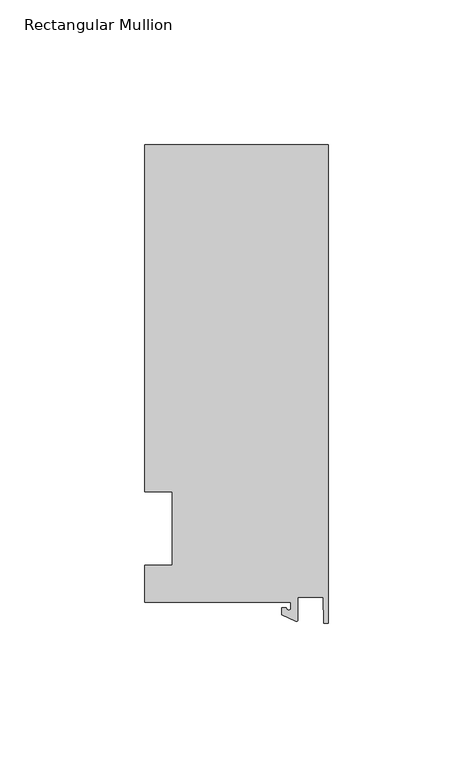
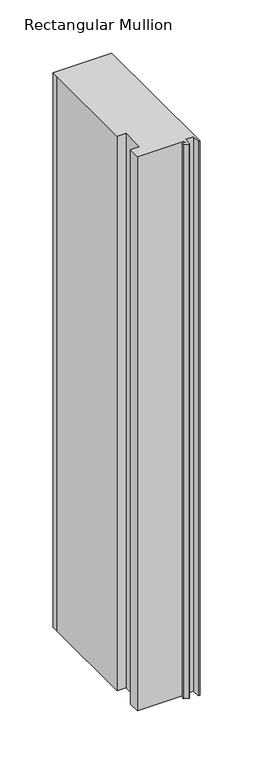
"""IFC4 building model written with IfcOpenShell, lengths in millimetres: member geometry, Rectangular Mullion."""

from ifc_helpers import new_model, si_unit, point, frame, frame_2d, origin, place, context, project, spatial, polyline, circle_curve, trimmed, segment, composite_curve, outline, extrude, source, transform, mapped, element, save


def rectangular_mullion_40247ee8(model_context):
    return source(origin(), model_context, "Body", "SweptSolid", [
        extrude(outline(composite_curve([segment(polyline([(-12.8216721, -25.5984375), (-63.5, -25.5984375), (-63.5, -12.7), (-53.975, -12.7), (-53.975, 12.7), (-63.5, 12.7), (-63.5, 125.075512), (-63.5, 132.822512), (0.0, 132.822512), (0.0, -32.810012), (-1.5566453, -32.810012), (-1.7144124, -23.9227662), (-10.4340721, -23.9227662), (-10.4340721, -31.6795354)]), True, "CONTINUOUS"), segment(trimmed(circle_curve(frame_2d((-10.9420721, -31.6795354)), 0.508), [point((-10.4340721, -31.6795354))], [point((-11.1567622, -32.1399398))], False, "CARTESIAN"), True, "CONTINUOUS"), segment(polyline([(-11.1567622, -32.1399398), (-15.9966721, -29.8830527), (-15.9966721, -27.5208534), (-14.4091721, -27.5208534)]), True, "CONTINUOUS"), segment(trimmed(circle_curve(frame_2d((-13.6154221, -27.5208534)), 0.79375), [point((-14.4091721, -27.5208534))], [point((-12.8216721, -27.5208534))], True, "CARTESIAN"), True, "CONTINUOUS"), segment(polyline([(-12.8216721, -27.5208534), (-12.8216721, -25.5984375)]), True, "CONTINUOUS")], self_intersect=False)), frame((0.0, 0.0, -635.0), z_axis=(0.0, 0.0, 1.0), x_axis=(1.0, 0.0, 0.0)), (0.0, 0.0, 1.0), 635.0),
    ])


if __name__ == "__main__":
    model = new_model("IFC4")
    model_context = context("Model", 3, world=origin())
    ifc_project = project(units=[si_unit("LENGTHUNIT", "METRE", prefix="MILLI")], contexts=[model_context])
    site = spatial("IfcSite", under=ifc_project)
    building = spatial("IfcBuilding", under=site)
    placement = place(None, origin())
    rectangular_mullion_shape = rectangular_mullion_40247ee8(model_context)
    element("IfcMember", 1, ObjectType="Rectangular Mullion", at=placement, inside=building, context=model_context, shape_type="MappedRepresentation", body=[
        mapped(rectangular_mullion_shape, transform((0.0, 0.0, 0.0), x_axis=(1.0, 0.0, 0.0), y_axis=(0.0, 1.0, 0.0), z_axis=(0.0, 0.0, 1.0))),
    ])
    save(model, "model.ifc")
